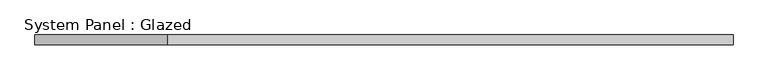
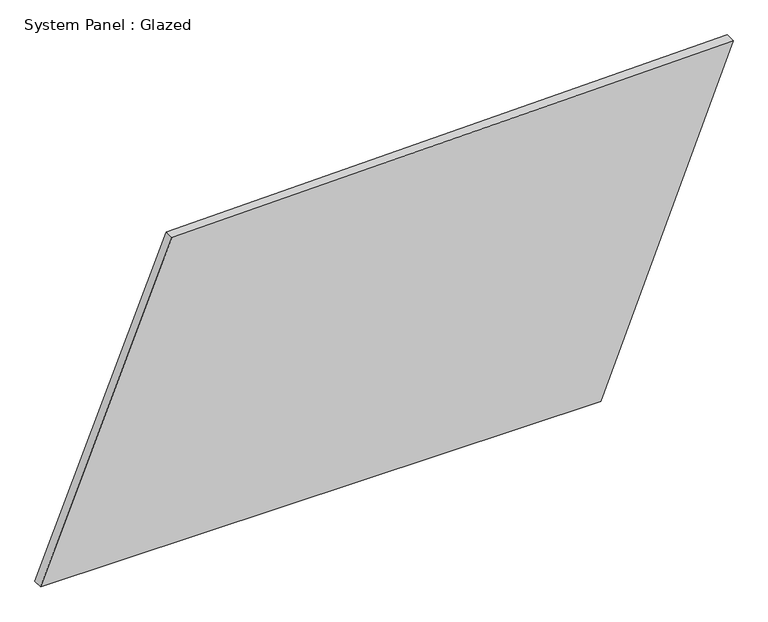
"""IFC4 building model written with IfcOpenShell, lengths in millimetres: plate geometry, System Panel : Glazed."""

from ifc_helpers import new_model, si_unit, frame, origin, place, context, project, spatial, polyline, outline, extrude, source, transform, mapped, element, save


def system_panel_glazed_45fe51cd(model_context):
    return source(origin(), model_context, "Body", "SweptSolid", [
        extrude(outline(polyline([(0.0, -887.3293969), (0.0, 548.6990978), (859.5263551, 887.3293969), (828.447879, -551.1517582), (0.0, -887.3293969)])), frame((0.0, -49.5, 0.0), z_axis=(0.0, 1.0, 0.0), x_axis=(0.0, 0.0, 1.0)), (0.0, 0.0, 1.0), 25.0),
    ])


if __name__ == "__main__":
    model = new_model("IFC4")
    model_context = context("Model", 3, world=origin())
    ifc_project = project(units=[si_unit("LENGTHUNIT", "METRE", prefix="MILLI")], contexts=[model_context])
    site = spatial("IfcSite", under=ifc_project)
    building = spatial("IfcBuilding", under=site)
    placement = place(None, origin())
    system_panel_glazed_shape = system_panel_glazed_45fe51cd(model_context)
    element("IfcPlate", 1, ObjectType="System Panel : Glazed", at=placement, inside=building, context=model_context, shape_type="MappedRepresentation", body=[
        mapped(system_panel_glazed_shape, transform((0.0, 0.0, 0.0), x_axis=(1.0, 0.0, 0.0), y_axis=(0.0, 1.0, 0.0), z_axis=(0.0, 0.0, 1.0))),
    ])
    save(model, "model.ifc")
